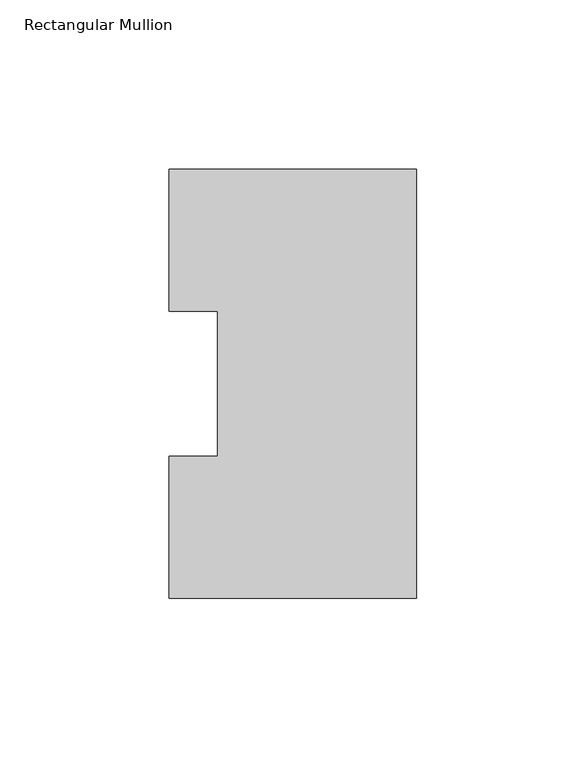
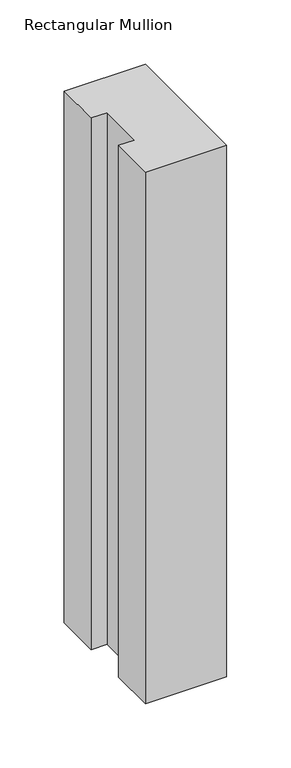
"""IFC4 building model written with IfcOpenShell, lengths in millimetres: member geometry, Rectangular Mullion."""

from ifc_helpers import new_model, si_unit, frame, origin, place, context, project, spatial, polyline, outline, extrude, source, transform, mapped, element, save


def rectangular_mullion_7e27314f(model_context):
    return source(origin(), model_context, "Body", "SweptSolid", [
        extrude(outline(polyline([(0.0, 126.75235), (0.0, 0.26035), (-73.025, 0.26035), (-73.025, 42.08145), (-58.7375, 42.08145), (-58.7375, 84.93125), (-73.025, 84.93125), (-73.025, 126.75235), (0.0, 126.75235)])), frame((0.0, 0.0, -504.8247287), z_axis=(0.0, 0.0, 1.0), x_axis=(1.0, 0.0, 0.0)), (0.0, 0.0, 1.0), 504.8247287),
    ])


if __name__ == "__main__":
    model = new_model("IFC4")
    model_context = context("Model", 3, world=origin())
    ifc_project = project(units=[si_unit("LENGTHUNIT", "METRE", prefix="MILLI")], contexts=[model_context])
    site = spatial("IfcSite", under=ifc_project)
    building = spatial("IfcBuilding", under=site)
    placement = place(None, origin())
    rectangular_mullion_shape = rectangular_mullion_7e27314f(model_context)
    element("IfcMember", 1, ObjectType="Rectangular Mullion", at=placement, inside=building, context=model_context, shape_type="MappedRepresentation", body=[
        mapped(rectangular_mullion_shape, transform((0.0, 0.0, 0.0), x_axis=(1.0, 0.0, 0.0), y_axis=(0.0, 1.0, 0.0), z_axis=(0.0, 0.0, 1.0))),
    ])
    save(model, "model.ifc")
